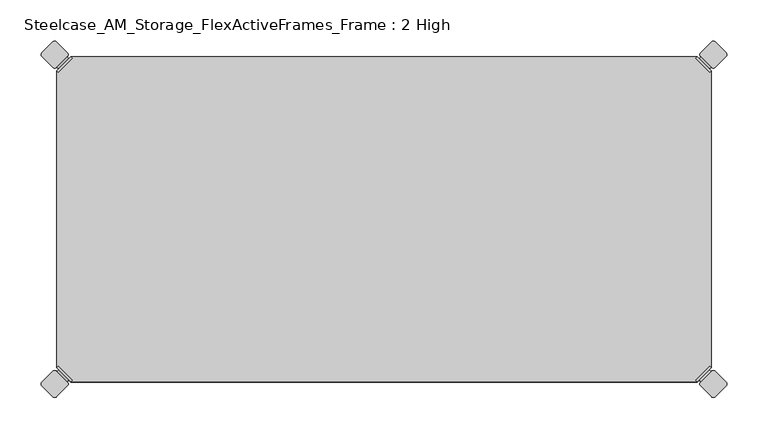
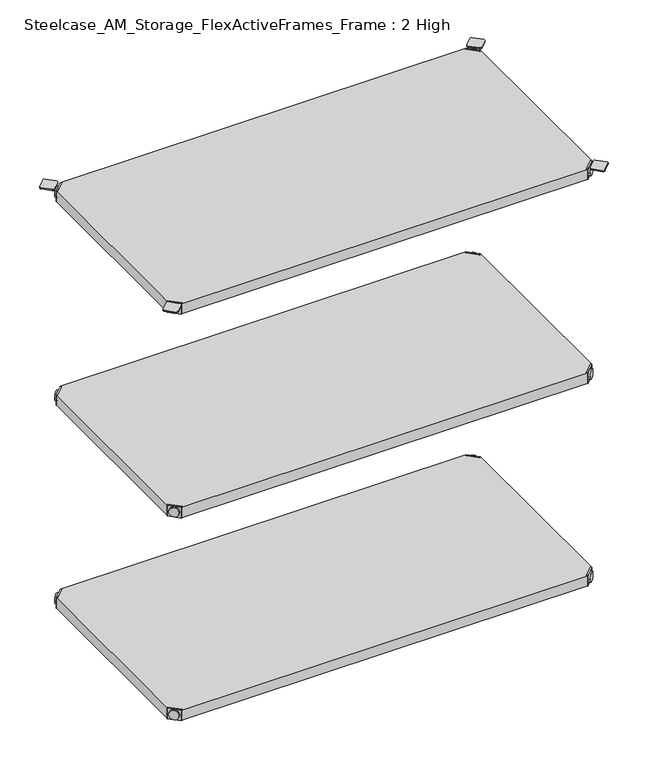
"""IFC4 building model written with IfcOpenShell, lengths in millimetres: furniture geometry, Steelcase_AM_Storage_FlexActiveFrames_Frame : 2 High."""

from ifc_helpers import new_model, si_unit, point, frame, frame_2d, origin, place, context, project, spatial, polyline, circle_curve, trimmed, segment, composite_curve, outline, extrude, source, transform, mapped, element, save
from ifc_brep_helpers import plane_surface, cylinder_surface, advanced_brep


def steelcase_am_storage_flexactiveframes_frame_2_high_a701bcb4(model_context):
    return source(origin(), model_context, "Body", "SolidModel", [
        advanced_brep(
        [(2.54, -380.2870969, 520.2936), (19.7629031, -397.51, 520.2936), (21.5589544, -395.7139488, 520.2936), (4.3360512, -378.4910456, 520.2936), (2.54, -380.2870969, 498.9576), (19.7629031, -397.51, 498.9576), (4.8652723, -382.6123691, 510.1336), (17.4376309, -395.1847277, 510.1336), (30.2920522, -352.5350447, 499.9736), (4.3360512, -378.4910456, 499.9736), (21.5589544, -395.7139488, 499.9736), (47.5149553, -369.7579478, 499.9736), (30.2920522, -352.5350447, 498.9576), (47.5149553, -369.7579478, 498.9576), (15.1227513, -397.4996073, 510.1336), (2.5503927, -384.9272487, 510.1336)],
        [
            (0, 1),
            (1, 2),
            (2, 3),
            (3, 0),
            (0, 4),
            (4, 5),
            (5, 1),
            (6, 7, circle_curve(frame((11.1514516, -388.8985484, 510.1336), z_axis=(0.7071067811865446, 0.7071067811865505, 0.0), x_axis=(-0.7071067811865505, 0.7071067811865446, 0.0)), 8.89)),
            (7, 6, circle_curve(frame((11.1514516, -388.8985484, 510.1336), z_axis=(0.7071067811865446, 0.7071067811865505, 0.0), x_axis=(-0.7071067811865505, 0.7071067811865446, 0.0)), 8.89)),
            (8, 9),
            (9, 10),
            (10, 11),
            (11, 8, circle_curve(frame((38.9035037, -361.1464963, 499.9736), z_axis=(0.0, 0.0, 1.0), x_axis=(1.0, 0.0, 0.0)), 12.1784316)),
            (12, 13, circle_curve(frame((38.9035037, -361.1464963, 498.9576), z_axis=(0.0, 0.0, -1.0), x_axis=(1.0, 0.0, 0.0)), 12.1784316)),
            (13, 5),
            (4, 12),
            (14, 15, circle_curve(frame((8.836572, -391.213428, 510.1336), z_axis=(-0.7071067811865446, -0.7071067811865505, 0.0), x_axis=(-0.7071067811865505, 0.7071067811865446, 0.0)), 8.89)),
            (15, 14, circle_curve(frame((8.836572, -391.213428, 510.1336), z_axis=(-0.7071067811865446, -0.7071067811865505, 0.0), x_axis=(-0.7071067811865505, 0.7071067811865446, 0.0)), 8.89)),
            (15, 6),
            (7, 14),
            (2, 10),
            (9, 3),
            (11, 13),
            (12, 8),
        ],
        [
            plane_surface(frame((-19.6579872, -402.485084, 520.2936), z_axis=(0.0, 0.0, 1.0000000000000002), x_axis=(0.7071067811865436, 0.7071067811865516, 0.0))),
            plane_surface(frame((19.7629031, -397.51, 520.2936), z_axis=(-0.7071067811865447, -0.7071067811865503, 0.0), x_axis=(0.0, 0.0, -1.0))),
            plane_surface(frame((51.0819353, -361.1464963, 499.9736), z_axis=(0.0, 0.0, 1.0), x_axis=(0.0, -1.0, 0.0))),
            plane_surface(frame((51.0819353, -361.1464963, 498.9576), z_axis=(0.0, 0.0, -1.0), x_axis=(0.0, 1.0, 0.0))),
            plane_surface(frame((2.5503927, -384.9272487, 510.1336), z_axis=(-0.7071067811865446, -0.7071067811865505, 0.0), x_axis=(0.0, 0.0, 1.0))),
            cylinder_surface(frame((11.1514516, -388.8985484, 510.1336), z_axis=(-0.7071067811865446, -0.7071067811865505, 0.0), x_axis=(-0.7071067811865505, 0.7071067811865446, 0.0)), 8.89),
            plane_surface(frame((4.3360512, -378.4910456, 520.2936), z_axis=(0.7071067811865447, 0.7071067811865503, 0.0), x_axis=(0.0, 0.0, -1.0))),
            cylinder_surface(frame((38.9035037, -361.1464963, 498.9576), z_axis=(0.0, 0.0, 1.0), x_axis=(1.0, 0.0, 0.0)), 12.1784316),
            plane_surface(frame((2.54, -380.2870969, 520.2936), z_axis=(-0.7071067811865516, 0.7071067811865436, 0.0), x_axis=(0.0, 0.0, -1.0))),
            plane_surface(frame((21.5589544, -395.7139488, 520.2936), z_axis=(0.7071067811865513, -0.7071067811865437, 0.0), x_axis=(0.0, 0.0, -1.0))),
        ],
        [
            (0, [[1, 2, 3, 4]]),
            (1, [[5, 6, 7, -1], [8, 9]]),
            (2, [[10, 11, 12, 13]]),
            (3, [[14, 15, -6, 16]]),
            (4, [[17, 18]]),
            (5, [[19, -9, 20, -18]]),
            (5, [[-20, -8, -19, -17]]),
            (6, [[21, -11, 22, -3]]),
            (7, [[23, -14, 24, -13]]),
            (8, [[-22, -10, -24, -16, -5, -4]]),
            (9, [[-7, -15, -23, -12, -21, -2]]),
        ],
    ),
        advanced_brep(
        [(797.56, -380.2870969, 520.2936), (795.7639488, -378.4910456, 520.2936), (778.5410456, -395.7139488, 520.2936), (780.3370969, -397.51, 520.2936), (780.3370969, -397.51, 498.9576), (797.56, -380.2870969, 498.9576), (795.2347277, -382.6123691, 510.1336), (782.6623691, -395.1847277, 510.1336), (769.8079478, -352.5350447, 499.9736), (752.5850447, -369.7579478, 499.9736), (778.5410456, -395.7139488, 499.9736), (795.7639488, -378.4910456, 499.9736), (769.8079478, -352.5350447, 498.9576), (752.5850447, -369.7579478, 498.9576), (784.9772487, -397.4996073, 510.1336), (797.5496073, -384.9272487, 510.1336)],
        [
            (0, 1),
            (1, 2),
            (2, 3),
            (3, 0),
            (3, 4),
            (4, 5),
            (5, 0),
            (6, 7, circle_curve(frame((788.9485484, -388.8985484, 510.1336), z_axis=(-0.7071067811865446, 0.7071067811865505, 0.0), x_axis=(0.7071067811865505, 0.7071067811865446, 0.0)), 8.89)),
            (7, 6, circle_curve(frame((788.9485484, -388.8985484, 510.1336), z_axis=(-0.7071067811865446, 0.7071067811865505, 0.0), x_axis=(0.7071067811865505, 0.7071067811865446, 0.0)), 8.89)),
            (8, 9, circle_curve(frame((761.1964963, -361.1464963, 499.9736), z_axis=(0.0, 0.0, 1.0), x_axis=(-1.0, 0.0, 0.0)), 12.1784316)),
            (9, 10),
            (10, 11),
            (11, 8),
            (12, 5),
            (4, 13),
            (13, 12, circle_curve(frame((761.1964963, -361.1464963, 498.9576), z_axis=(0.0, 0.0, -1.0), x_axis=(-1.0, 0.0, 0.0)), 12.1784316)),
            (14, 15, circle_curve(frame((791.263428, -391.213428, 510.1336), z_axis=(0.7071067811865446, -0.7071067811865505, 0.0), x_axis=(0.7071067811865505, 0.7071067811865446, 0.0)), 8.89)),
            (15, 14, circle_curve(frame((791.263428, -391.213428, 510.1336), z_axis=(0.7071067811865446, -0.7071067811865505, 0.0), x_axis=(0.7071067811865505, 0.7071067811865446, 0.0)), 8.89)),
            (14, 7),
            (6, 15),
            (1, 11),
            (10, 2),
            (8, 12),
            (13, 9),
        ],
        [
            plane_surface(frame((819.7579872, -402.485084, 520.2936), z_axis=(0.0, 0.0, 1.0000000000000002), x_axis=(-0.7071067811865436, 0.7071067811865516, 0.0))),
            plane_surface(frame((780.3370969, -397.51, 520.2936), z_axis=(0.7071067811865447, -0.7071067811865503, 0.0), x_axis=(0.0, 0.0, -1.0))),
            plane_surface(frame((749.0180647, -361.1464963, 499.9736), z_axis=(0.0, 0.0, 1.0), x_axis=(0.0, -1.0, 0.0))),
            plane_surface(frame((749.0180647, -361.1464963, 498.9576), z_axis=(0.0, 0.0, -1.0), x_axis=(0.0, 1.0, 0.0))),
            plane_surface(frame((797.5496073, -384.9272487, 510.1336), z_axis=(0.7071067811865446, -0.7071067811865505, 0.0), x_axis=(0.0, 0.0, 1.0))),
            cylinder_surface(frame((788.9485484, -388.8985484, 510.1336), z_axis=(0.7071067811865446, -0.7071067811865505, 0.0), x_axis=(0.7071067811865505, 0.7071067811865446, 0.0)), 8.89),
            plane_surface(frame((795.7639488, -378.4910456, 520.2936), z_axis=(-0.7071067811865447, 0.7071067811865503, 0.0), x_axis=(0.0, 0.0, -1.0))),
            cylinder_surface(frame((761.1964963, -361.1464963, 498.9576), z_axis=(0.0, 0.0, 1.0), x_axis=(-1.0, 0.0, 0.0)), 12.1784316),
            plane_surface(frame((797.56, -380.2870969, 520.2936), z_axis=(0.7071067811865516, 0.7071067811865436, 0.0), x_axis=(0.0, 0.0, -1.0))),
            plane_surface(frame((778.5410456, -395.7139488, 520.2936), z_axis=(-0.7071067811865513, -0.7071067811865437, 0.0), x_axis=(0.0, 0.0, -1.0))),
        ],
        [
            (0, [[1, 2, 3, 4]]),
            (1, [[-4, 5, 6, 7], [8, 9]]),
            (2, [[10, 11, 12, 13]]),
            (3, [[14, -6, 15, 16]]),
            (4, [[17, 18]]),
            (5, [[-17, 19, -8, 20]]),
            (5, [[-18, -20, -9, -19]]),
            (6, [[-2, 21, -12, 22]]),
            (7, [[-10, 23, -16, 24]]),
            (8, [[-1, -7, -14, -23, -13, -21]]),
            (9, [[-3, -22, -11, -24, -15, -5]]),
        ],
    ),
        advanced_brep(
        [(797.56, -19.7629031, 520.2936), (780.3370969, -2.54, 520.2936), (778.5410456, -4.3360512, 520.2936), (795.7639488, -21.5589544, 520.2936), (797.56, -19.7629031, 498.9576), (780.3370969, -2.54, 498.9576), (795.2347277, -17.4376309, 510.1336), (782.6623691, -4.8652723, 510.1336), (769.8079478, -47.5149553, 499.9736), (795.7639488, -21.5589544, 499.9736), (778.5410456, -4.3360512, 499.9736), (752.5850447, -30.2920522, 499.9736), (769.8079478, -47.5149553, 498.9576), (752.5850447, -30.2920522, 498.9576), (784.9772487, -2.5503927, 510.1336), (797.5496073, -15.1227513, 510.1336)],
        [
            (0, 1),
            (1, 2),
            (2, 3),
            (3, 0),
            (0, 4),
            (4, 5),
            (5, 1),
            (6, 7, circle_curve(frame((788.9485484, -11.1514516, 510.1336), z_axis=(-0.7071067811865469, -0.7071067811865481, 0.0), x_axis=(0.7071067811865481, -0.7071067811865469, 0.0)), 8.89)),
            (7, 6, circle_curve(frame((788.9485484, -11.1514516, 510.1336), z_axis=(-0.7071067811865469, -0.7071067811865481, 0.0), x_axis=(0.7071067811865481, -0.7071067811865469, 0.0)), 8.89)),
            (8, 9),
            (9, 10),
            (10, 11),
            (11, 8, circle_curve(frame((761.1964963, -38.9035037, 499.9736), z_axis=(0.0, 0.0, 1.0), x_axis=(-1.0, 0.0, 0.0)), 12.1784316)),
            (12, 13, circle_curve(frame((761.1964963, -38.9035037, 498.9576), z_axis=(0.0, 0.0, -1.0), x_axis=(-1.0, 0.0, 0.0)), 12.1784316)),
            (13, 5),
            (4, 12),
            (14, 15, circle_curve(frame((791.263428, -8.836572, 510.1336), z_axis=(0.7071067811865469, 0.7071067811865481, 0.0), x_axis=(0.7071067811865481, -0.7071067811865469, 0.0)), 8.89)),
            (15, 14, circle_curve(frame((791.263428, -8.836572, 510.1336), z_axis=(0.7071067811865469, 0.7071067811865481, 0.0), x_axis=(0.7071067811865481, -0.7071067811865469, 0.0)), 8.89)),
            (15, 6),
            (7, 14),
            (2, 10),
            (9, 3),
            (11, 13),
            (12, 8),
        ],
        [
            plane_surface(frame((819.7579872, 2.435084, 520.2936), z_axis=(0.0, 0.0, 1.0000000000000002), x_axis=(-0.7071067811865459, -0.7071067811865492, 0.0))),
            plane_surface(frame((780.3370969, -2.54, 520.2936), z_axis=(0.707106781186547, 0.707106781186548, 0.0), x_axis=(0.0, 0.0, -1.0))),
            plane_surface(frame((749.0180647, -38.9035037, 499.9736), z_axis=(0.0, 0.0, 1.0), x_axis=(0.0, 1.0, 0.0))),
            plane_surface(frame((749.0180647, -38.9035037, 498.9576), z_axis=(0.0, 0.0, -1.0), x_axis=(0.0, -1.0, 0.0))),
            plane_surface(frame((797.5496073, -15.1227513, 510.1336), z_axis=(0.7071067811865469, 0.7071067811865481, 0.0), x_axis=(0.0, 0.0, 1.0))),
            cylinder_surface(frame((788.9485484, -11.1514516, 510.1336), z_axis=(0.7071067811865469, 0.7071067811865481, 0.0), x_axis=(0.7071067811865481, -0.7071067811865469, 0.0)), 8.89),
            plane_surface(frame((795.7639488, -21.5589544, 520.2936), z_axis=(-0.707106781186547, -0.707106781186548, 0.0), x_axis=(0.0, 0.0, -1.0))),
            cylinder_surface(frame((761.1964963, -38.9035037, 498.9576), z_axis=(0.0, 0.0, 1.0), x_axis=(-1.0, 0.0, 0.0)), 12.1784316),
            plane_surface(frame((797.56, -19.7629031, 520.2936), z_axis=(0.7071067811865492, -0.7071067811865459, 0.0), x_axis=(0.0, 0.0, -1.0))),
            plane_surface(frame((778.5410456, -4.3360512, 520.2936), z_axis=(-0.707106781186549, 0.707106781186546, 0.0), x_axis=(0.0, 0.0, -1.0))),
        ],
        [
            (0, [[1, 2, 3, 4]]),
            (1, [[5, 6, 7, -1], [8, 9]]),
            (2, [[10, 11, 12, 13]]),
            (3, [[14, 15, -6, 16]]),
            (4, [[17, 18]]),
            (5, [[19, -9, 20, -18]]),
            (5, [[-20, -8, -19, -17]]),
            (6, [[21, -11, 22, -3]]),
            (7, [[23, -14, 24, -13]]),
            (8, [[-22, -10, -24, -16, -5, -4]]),
            (9, [[-7, -15, -23, -12, -21, -2]]),
        ],
    ),
        advanced_brep(
        [(2.54, -19.7629031, 520.2936), (4.3360512, -21.5589544, 520.2936), (21.5589544, -4.3360512, 520.2936), (19.7629031, -2.54, 520.2936), (19.7629031, -2.54, 498.9576), (2.54, -19.7629031, 498.9576), (4.8652723, -17.4376309, 510.1336), (17.4376309, -4.8652723, 510.1336), (30.2920522, -47.5149553, 499.9736), (47.5149553, -30.2920522, 499.9736), (21.5589544, -4.3360512, 499.9736), (4.3360512, -21.5589544, 499.9736), (30.2920522, -47.5149553, 498.9576), (47.5149553, -30.2920522, 498.9576), (15.1227513, -2.5503927, 510.1336), (2.5503927, -15.1227513, 510.1336)],
        [
            (0, 1),
            (1, 2),
            (2, 3),
            (3, 0),
            (3, 4),
            (4, 5),
            (5, 0),
            (6, 7, circle_curve(frame((11.1514516, -11.1514516, 510.1336), z_axis=(0.7071067811865469, -0.7071067811865481, 0.0), x_axis=(-0.7071067811865481, -0.7071067811865469, 0.0)), 8.89)),
            (7, 6, circle_curve(frame((11.1514516, -11.1514516, 510.1336), z_axis=(0.7071067811865469, -0.7071067811865481, 0.0), x_axis=(-0.7071067811865481, -0.7071067811865469, 0.0)), 8.89)),
            (8, 9, circle_curve(frame((38.9035037, -38.9035037, 499.9736), z_axis=(0.0, 0.0, 1.0), x_axis=(1.0, 0.0, 0.0)), 12.1784316)),
            (9, 10),
            (10, 11),
            (11, 8),
            (12, 5),
            (4, 13),
            (13, 12, circle_curve(frame((38.9035037, -38.9035037, 498.9576), z_axis=(0.0, 0.0, -1.0), x_axis=(1.0, 0.0, 0.0)), 12.1784316)),
            (14, 15, circle_curve(frame((8.836572, -8.836572, 510.1336), z_axis=(-0.7071067811865469, 0.7071067811865481, 0.0), x_axis=(-0.7071067811865481, -0.7071067811865469, 0.0)), 8.89)),
            (15, 14, circle_curve(frame((8.836572, -8.836572, 510.1336), z_axis=(-0.7071067811865469, 0.7071067811865481, 0.0), x_axis=(-0.7071067811865481, -0.7071067811865469, 0.0)), 8.89)),
            (14, 7),
            (6, 15),
            (1, 11),
            (10, 2),
            (8, 12),
            (13, 9),
        ],
        [
            plane_surface(frame((-19.6579872, 2.435084, 520.2936), z_axis=(0.0, 0.0, 1.0000000000000002), x_axis=(0.7071067811865459, -0.7071067811865492, 0.0))),
            plane_surface(frame((19.7629031, -2.54, 520.2936), z_axis=(-0.707106781186547, 0.707106781186548, 0.0), x_axis=(0.0, 0.0, -1.0))),
            plane_surface(frame((51.0819353, -38.9035037, 499.9736), z_axis=(0.0, 0.0, 1.0), x_axis=(0.0, 1.0, 0.0))),
            plane_surface(frame((51.0819353, -38.9035037, 498.9576), z_axis=(0.0, 0.0, -1.0), x_axis=(0.0, -1.0, 0.0))),
            plane_surface(frame((2.5503927, -15.1227513, 510.1336), z_axis=(-0.7071067811865469, 0.7071067811865481, 0.0), x_axis=(0.0, 0.0, 1.0))),
            cylinder_surface(frame((11.1514516, -11.1514516, 510.1336), z_axis=(-0.7071067811865469, 0.7071067811865481, 0.0), x_axis=(-0.7071067811865481, -0.7071067811865469, 0.0)), 8.89),
            plane_surface(frame((4.3360512, -21.5589544, 520.2936), z_axis=(0.707106781186547, -0.707106781186548, 0.0), x_axis=(0.0, 0.0, -1.0))),
            cylinder_surface(frame((38.9035037, -38.9035037, 498.9576), z_axis=(0.0, 0.0, 1.0), x_axis=(1.0, 0.0, 0.0)), 12.1784316),
            plane_surface(frame((2.54, -19.7629031, 520.2936), z_axis=(-0.7071067811865492, -0.7071067811865459, 0.0), x_axis=(0.0, 0.0, -1.0))),
            plane_surface(frame((21.5589544, -4.3360512, 520.2936), z_axis=(0.707106781186549, 0.707106781186546, 0.0), x_axis=(0.0, 0.0, -1.0))),
        ],
        [
            (0, [[1, 2, 3, 4]]),
            (1, [[-4, 5, 6, 7], [8, 9]]),
            (2, [[10, 11, 12, 13]]),
            (3, [[14, -6, 15, 16]]),
            (4, [[17, 18]]),
            (5, [[-17, 19, -8, 20]]),
            (5, [[-18, -20, -9, -19]]),
            (6, [[-2, 21, -12, 22]]),
            (7, [[-10, 23, -16, 24]]),
            (8, [[-1, -7, -14, -23, -13, -21]]),
            (9, [[-3, -22, -11, -24, -15, -5]]),
        ],
    ),
        extrude(outline(polyline([(19.7629031, -2.54), (780.3370969, -2.54), (778.5410456, -4.3360512), (795.7639488, -21.5589544), (797.56, -19.7629031), (797.56, -380.2870969), (795.7639488, -378.4910456), (778.5410456, -395.7139488), (780.3370969, -397.51), (19.7629031, -397.51), (21.5589544, -395.7139488), (4.3360512, -378.4910456), (2.54, -380.2870969), (2.54, -19.7629031), (4.3360512, -21.5589544), (21.5589544, -4.3360512), (19.7629031, -2.54)])), frame((0.0, 0.0, 499.9736), z_axis=(0.0, 0.0, 1.0), x_axis=(1.0, 0.0, 0.0)), (0.0, 0.0, 1.0), 20.32),
        advanced_brep(
        [(2.54, -380.2870969, 923.29), (19.7629031, -397.51, 923.29), (21.5589544, -395.7139488, 923.29), (4.3360512, -378.4910456, 923.29), (2.54, -380.2870969, 901.954), (19.7629031, -397.51, 901.954), (4.8652723, -382.6123691, 913.13), (17.4376309, -395.1847277, 913.13), (30.2920522, -352.5350447, 902.97), (4.3360512, -378.4910456, 902.97), (21.5589544, -395.7139488, 902.97), (47.5149553, -369.7579478, 902.97), (30.2920522, -352.5350447, 901.954), (47.5149553, -369.7579478, 901.954), (15.1227513, -397.4996073, 913.13), (2.5503927, -384.9272487, 913.13)],
        [
            (0, 1),
            (1, 2),
            (2, 3),
            (3, 0),
            (0, 4),
            (4, 5),
            (5, 1),
            (6, 7, circle_curve(frame((11.1514516, -388.8985484, 913.13), z_axis=(0.7071067811865446, 0.7071067811865505, 0.0), x_axis=(-0.7071067811865505, 0.7071067811865446, 0.0)), 8.89)),
            (7, 6, circle_curve(frame((11.1514516, -388.8985484, 913.13), z_axis=(0.7071067811865446, 0.7071067811865505, 0.0), x_axis=(-0.7071067811865505, 0.7071067811865446, 0.0)), 8.89)),
            (8, 9),
            (9, 10),
            (10, 11),
            (11, 8, circle_curve(frame((38.9035037, -361.1464963, 902.97), z_axis=(0.0, 0.0, 1.0), x_axis=(1.0, 0.0, 0.0)), 12.1784316)),
            (12, 13, circle_curve(frame((38.9035037, -361.1464963, 901.954), z_axis=(0.0, 0.0, -1.0), x_axis=(1.0, 0.0, 0.0)), 12.1784316)),
            (13, 5),
            (4, 12),
            (14, 15, circle_curve(frame((8.836572, -391.213428, 913.13), z_axis=(-0.7071067811865446, -0.7071067811865505, 0.0), x_axis=(-0.7071067811865505, 0.7071067811865446, 0.0)), 8.89)),
            (15, 14, circle_curve(frame((8.836572, -391.213428, 913.13), z_axis=(-0.7071067811865446, -0.7071067811865505, 0.0), x_axis=(-0.7071067811865505, 0.7071067811865446, 0.0)), 8.89)),
            (15, 6),
            (7, 14),
            (2, 10),
            (9, 3),
            (11, 13),
            (12, 8),
        ],
        [
            plane_surface(frame((-19.6579872, -402.485084, 923.29), z_axis=(0.0, 0.0, 1.0000000000000002), x_axis=(0.7071067811865436, 0.7071067811865516, 0.0))),
            plane_surface(frame((19.7629031, -397.51, 923.29), z_axis=(-0.7071067811865447, -0.7071067811865503, 0.0), x_axis=(0.0, 0.0, -1.0))),
            plane_surface(frame((51.0819353, -361.1464963, 902.97), z_axis=(0.0, 0.0, 1.0), x_axis=(0.0, -1.0, 0.0))),
            plane_surface(frame((51.0819353, -361.1464963, 901.954), z_axis=(0.0, 0.0, -1.0), x_axis=(0.0, 1.0, 0.0))),
            plane_surface(frame((2.5503927, -384.9272487, 913.13), z_axis=(-0.7071067811865446, -0.7071067811865505, 0.0), x_axis=(0.0, 0.0, 1.0))),
            cylinder_surface(frame((11.1514516, -388.8985484, 913.13), z_axis=(-0.7071067811865446, -0.7071067811865505, 0.0), x_axis=(-0.7071067811865505, 0.7071067811865446, 0.0)), 8.89),
            plane_surface(frame((4.3360512, -378.4910456, 923.29), z_axis=(0.7071067811865447, 0.7071067811865503, 0.0), x_axis=(0.0, 0.0, -1.0))),
            cylinder_surface(frame((38.9035037, -361.1464963, 901.954), z_axis=(0.0, 0.0, 1.0), x_axis=(1.0, 0.0, 0.0)), 12.1784316),
            plane_surface(frame((2.54, -380.2870969, 923.29), z_axis=(-0.7071067811865516, 0.7071067811865436, 0.0), x_axis=(0.0, 0.0, -1.0))),
            plane_surface(frame((21.5589544, -395.7139488, 923.29), z_axis=(0.7071067811865513, -0.7071067811865437, 0.0), x_axis=(0.0, 0.0, -1.0))),
        ],
        [
            (0, [[1, 2, 3, 4]]),
            (1, [[5, 6, 7, -1], [8, 9]]),
            (2, [[10, 11, 12, 13]]),
            (3, [[14, 15, -6, 16]]),
            (4, [[17, 18]]),
            (5, [[19, -9, 20, -18]]),
            (5, [[-20, -8, -19, -17]]),
            (6, [[21, -11, 22, -3]]),
            (7, [[23, -14, 24, -13]]),
            (8, [[-22, -10, -24, -16, -5, -4]]),
            (9, [[-7, -15, -23, -12, -21, -2]]),
        ],
    ),
        advanced_brep(
        [(797.56, -380.2870969, 923.29), (795.7639488, -378.4910456, 923.29), (778.5410456, -395.7139488, 923.29), (780.3370969, -397.51, 923.29), (780.3370969, -397.51, 901.954), (797.56, -380.2870969, 901.954), (795.2347277, -382.6123691, 913.13), (782.6623691, -395.1847277, 913.13), (769.8079478, -352.5350447, 902.97), (752.5850447, -369.7579478, 902.97), (778.5410456, -395.7139488, 902.97), (795.7639488, -378.4910456, 902.97), (769.8079478, -352.5350447, 901.954), (752.5850447, -369.7579478, 901.954), (784.9772487, -397.4996073, 913.13), (797.5496073, -384.9272487, 913.13)],
        [
            (0, 1),
            (1, 2),
            (2, 3),
            (3, 0),
            (3, 4),
            (4, 5),
            (5, 0),
            (6, 7, circle_curve(frame((788.9485484, -388.8985484, 913.13), z_axis=(-0.7071067811865446, 0.7071067811865505, 0.0), x_axis=(0.7071067811865505, 0.7071067811865446, 0.0)), 8.89)),
            (7, 6, circle_curve(frame((788.9485484, -388.8985484, 913.13), z_axis=(-0.7071067811865446, 0.7071067811865505, 0.0), x_axis=(0.7071067811865505, 0.7071067811865446, 0.0)), 8.89)),
            (8, 9, circle_curve(frame((761.1964963, -361.1464963, 902.97), z_axis=(0.0, 0.0, 1.0), x_axis=(-1.0, 0.0, 0.0)), 12.1784316)),
            (9, 10),
            (10, 11),
            (11, 8),
            (12, 5),
            (4, 13),
            (13, 12, circle_curve(frame((761.1964963, -361.1464963, 901.954), z_axis=(0.0, 0.0, -1.0), x_axis=(-1.0, 0.0, 0.0)), 12.1784316)),
            (14, 15, circle_curve(frame((791.263428, -391.213428, 913.13), z_axis=(0.7071067811865446, -0.7071067811865505, 0.0), x_axis=(0.7071067811865505, 0.7071067811865446, 0.0)), 8.89)),
            (15, 14, circle_curve(frame((791.263428, -391.213428, 913.13), z_axis=(0.7071067811865446, -0.7071067811865505, 0.0), x_axis=(0.7071067811865505, 0.7071067811865446, 0.0)), 8.89)),
            (14, 7),
            (6, 15),
            (1, 11),
            (10, 2),
            (8, 12),
            (13, 9),
        ],
        [
            plane_surface(frame((819.7579872, -402.485084, 923.29), z_axis=(0.0, 0.0, 1.0000000000000002), x_axis=(-0.7071067811865436, 0.7071067811865516, 0.0))),
            plane_surface(frame((780.3370969, -397.51, 923.29), z_axis=(0.7071067811865447, -0.7071067811865503, 0.0), x_axis=(0.0, 0.0, -1.0))),
            plane_surface(frame((749.0180647, -361.1464963, 902.97), z_axis=(0.0, 0.0, 1.0), x_axis=(0.0, -1.0, 0.0))),
            plane_surface(frame((749.0180647, -361.1464963, 901.954), z_axis=(0.0, 0.0, -1.0), x_axis=(0.0, 1.0, 0.0))),
            plane_surface(frame((797.5496073, -384.9272487, 913.13), z_axis=(0.7071067811865446, -0.7071067811865505, 0.0), x_axis=(0.0, 0.0, 1.0))),
            cylinder_surface(frame((788.9485484, -388.8985484, 913.13), z_axis=(0.7071067811865446, -0.7071067811865505, 0.0), x_axis=(0.7071067811865505, 0.7071067811865446, 0.0)), 8.89),
            plane_surface(frame((795.7639488, -378.4910456, 923.29), z_axis=(-0.7071067811865447, 0.7071067811865503, 0.0), x_axis=(0.0, 0.0, -1.0))),
            cylinder_surface(frame((761.1964963, -361.1464963, 901.954), z_axis=(0.0, 0.0, 1.0), x_axis=(-1.0, 0.0, 0.0)), 12.1784316),
            plane_surface(frame((797.56, -380.2870969, 923.29), z_axis=(0.7071067811865516, 0.7071067811865436, 0.0), x_axis=(0.0, 0.0, -1.0))),
            plane_surface(frame((778.5410456, -395.7139488, 923.29), z_axis=(-0.7071067811865513, -0.7071067811865437, 0.0), x_axis=(0.0, 0.0, -1.0))),
        ],
        [
            (0, [[1, 2, 3, 4]]),
            (1, [[-4, 5, 6, 7], [8, 9]]),
            (2, [[10, 11, 12, 13]]),
            (3, [[14, -6, 15, 16]]),
            (4, [[17, 18]]),
            (5, [[-17, 19, -8, 20]]),
            (5, [[-18, -20, -9, -19]]),
            (6, [[-2, 21, -12, 22]]),
            (7, [[-10, 23, -16, 24]]),
            (8, [[-1, -7, -14, -23, -13, -21]]),
            (9, [[-3, -22, -11, -24, -15, -5]]),
        ],
    ),
        advanced_brep(
        [(797.56, -19.7629031, 923.29), (780.3370969, -2.54, 923.29), (778.5410456, -4.3360512, 923.29), (795.7639488, -21.5589544, 923.29), (797.56, -19.7629031, 901.954), (780.3370969, -2.54, 901.954), (795.2347277, -17.4376309, 913.13), (782.6623691, -4.8652723, 913.13), (769.8079478, -47.5149553, 902.97), (795.7639488, -21.5589544, 902.97), (778.5410456, -4.3360512, 902.97), (752.5850447, -30.2920522, 902.97), (769.8079478, -47.5149553, 901.954), (752.5850447, -30.2920522, 901.954), (784.9772487, -2.5503927, 913.13), (797.5496073, -15.1227513, 913.13)],
        [
            (0, 1),
            (1, 2),
            (2, 3),
            (3, 0),
            (0, 4),
            (4, 5),
            (5, 1),
            (6, 7, circle_curve(frame((788.9485484, -11.1514516, 913.13), z_axis=(-0.7071067811865469, -0.7071067811865481, 0.0), x_axis=(0.7071067811865481, -0.7071067811865469, 0.0)), 8.89)),
            (7, 6, circle_curve(frame((788.9485484, -11.1514516, 913.13), z_axis=(-0.7071067811865469, -0.7071067811865481, 0.0), x_axis=(0.7071067811865481, -0.7071067811865469, 0.0)), 8.89)),
            (8, 9),
            (9, 10),
            (10, 11),
            (11, 8, circle_curve(frame((761.1964963, -38.9035037, 902.97), z_axis=(0.0, 0.0, 1.0), x_axis=(-1.0, 0.0, 0.0)), 12.1784316)),
            (12, 13, circle_curve(frame((761.1964963, -38.9035037, 901.954), z_axis=(0.0, 0.0, -1.0), x_axis=(-1.0, 0.0, 0.0)), 12.1784316)),
            (13, 5),
            (4, 12),
            (14, 15, circle_curve(frame((791.263428, -8.836572, 913.13), z_axis=(0.7071067811865469, 0.7071067811865481, 0.0), x_axis=(0.7071067811865481, -0.7071067811865469, 0.0)), 8.89)),
            (15, 14, circle_curve(frame((791.263428, -8.836572, 913.13), z_axis=(0.7071067811865469, 0.7071067811865481, 0.0), x_axis=(0.7071067811865481, -0.7071067811865469, 0.0)), 8.89)),
            (15, 6),
            (7, 14),
            (2, 10),
            (9, 3),
            (11, 13),
            (12, 8),
        ],
        [
            plane_surface(frame((819.7579872, 2.435084, 923.29), z_axis=(0.0, 0.0, 1.0000000000000002), x_axis=(-0.7071067811865459, -0.7071067811865492, 0.0))),
            plane_surface(frame((780.3370969, -2.54, 923.29), z_axis=(0.707106781186547, 0.707106781186548, 0.0), x_axis=(0.0, 0.0, -1.0))),
            plane_surface(frame((749.0180647, -38.9035037, 902.97), z_axis=(0.0, 0.0, 1.0), x_axis=(0.0, 1.0, 0.0))),
            plane_surface(frame((749.0180647, -38.9035037, 901.954), z_axis=(0.0, 0.0, -1.0), x_axis=(0.0, -1.0, 0.0))),
            plane_surface(frame((797.5496073, -15.1227513, 913.13), z_axis=(0.7071067811865469, 0.7071067811865481, 0.0), x_axis=(0.0, 0.0, 1.0))),
            cylinder_surface(frame((788.9485484, -11.1514516, 913.13), z_axis=(0.7071067811865469, 0.7071067811865481, 0.0), x_axis=(0.7071067811865481, -0.7071067811865469, 0.0)), 8.89),
            plane_surface(frame((795.7639488, -21.5589544, 923.29), z_axis=(-0.707106781186547, -0.707106781186548, 0.0), x_axis=(0.0, 0.0, -1.0))),
            cylinder_surface(frame((761.1964963, -38.9035037, 901.954), z_axis=(0.0, 0.0, 1.0), x_axis=(-1.0, 0.0, 0.0)), 12.1784316),
            plane_surface(frame((797.56, -19.7629031, 923.29), z_axis=(0.7071067811865492, -0.7071067811865459, 0.0), x_axis=(0.0, 0.0, -1.0))),
            plane_surface(frame((778.5410456, -4.3360512, 923.29), z_axis=(-0.707106781186549, 0.707106781186546, 0.0), x_axis=(0.0, 0.0, -1.0))),
        ],
        [
            (0, [[1, 2, 3, 4]]),
            (1, [[5, 6, 7, -1], [8, 9]]),
            (2, [[10, 11, 12, 13]]),
            (3, [[14, 15, -6, 16]]),
            (4, [[17, 18]]),
            (5, [[19, -9, 20, -18]]),
            (5, [[-20, -8, -19, -17]]),
            (6, [[21, -11, 22, -3]]),
            (7, [[23, -14, 24, -13]]),
            (8, [[-22, -10, -24, -16, -5, -4]]),
            (9, [[-7, -15, -23, -12, -21, -2]]),
        ],
    ),
        advanced_brep(
        [(2.54, -19.7629031, 923.29), (4.3360512, -21.5589544, 923.29), (21.5589544, -4.3360512, 923.29), (19.7629031, -2.54, 923.29), (19.7629031, -2.54, 901.954), (2.54, -19.7629031, 901.954), (4.8652723, -17.4376309, 913.13), (17.4376309, -4.8652723, 913.13), (30.2920522, -47.5149553, 902.97), (47.5149553, -30.2920522, 902.97), (21.5589544, -4.3360512, 902.97), (4.3360512, -21.5589544, 902.97), (30.2920522, -47.5149553, 901.954), (47.5149553, -30.2920522, 901.954), (15.1227513, -2.5503927, 913.13), (2.5503927, -15.1227513, 913.13)],
        [
            (0, 1),
            (1, 2),
            (2, 3),
            (3, 0),
            (3, 4),
            (4, 5),
            (5, 0),
            (6, 7, circle_curve(frame((11.1514516, -11.1514516, 913.13), z_axis=(0.7071067811865469, -0.7071067811865481, 0.0), x_axis=(-0.7071067811865481, -0.7071067811865469, 0.0)), 8.89)),
            (7, 6, circle_curve(frame((11.1514516, -11.1514516, 913.13), z_axis=(0.7071067811865469, -0.7071067811865481, 0.0), x_axis=(-0.7071067811865481, -0.7071067811865469, 0.0)), 8.89)),
            (8, 9, circle_curve(frame((38.9035037, -38.9035037, 902.97), z_axis=(0.0, 0.0, 1.0), x_axis=(1.0, 0.0, 0.0)), 12.1784316)),
            (9, 10),
            (10, 11),
            (11, 8),
            (12, 5),
            (4, 13),
            (13, 12, circle_curve(frame((38.9035037, -38.9035037, 901.954), z_axis=(0.0, 0.0, -1.0), x_axis=(1.0, 0.0, 0.0)), 12.1784316)),
            (14, 15, circle_curve(frame((8.836572, -8.836572, 913.13), z_axis=(-0.7071067811865469, 0.7071067811865481, 0.0), x_axis=(-0.7071067811865481, -0.7071067811865469, 0.0)), 8.89)),
            (15, 14, circle_curve(frame((8.836572, -8.836572, 913.13), z_axis=(-0.7071067811865469, 0.7071067811865481, 0.0), x_axis=(-0.7071067811865481, -0.7071067811865469, 0.0)), 8.89)),
            (14, 7),
            (6, 15),
            (1, 11),
            (10, 2),
            (8, 12),
            (13, 9),
        ],
        [
            plane_surface(frame((-19.6579872, 2.435084, 923.29), z_axis=(0.0, 0.0, 1.0000000000000002), x_axis=(0.7071067811865459, -0.7071067811865492, 0.0))),
            plane_surface(frame((19.7629031, -2.54, 923.29), z_axis=(-0.707106781186547, 0.707106781186548, 0.0), x_axis=(0.0, 0.0, -1.0))),
            plane_surface(frame((51.0819353, -38.9035037, 902.97), z_axis=(0.0, 0.0, 1.0), x_axis=(0.0, 1.0, 0.0))),
            plane_surface(frame((51.0819353, -38.9035037, 901.954), z_axis=(0.0, 0.0, -1.0), x_axis=(0.0, -1.0, 0.0))),
            plane_surface(frame((2.5503927, -15.1227513, 913.13), z_axis=(-0.7071067811865469, 0.7071067811865481, 0.0), x_axis=(0.0, 0.0, 1.0))),
            cylinder_surface(frame((11.1514516, -11.1514516, 913.13), z_axis=(-0.7071067811865469, 0.7071067811865481, 0.0), x_axis=(-0.7071067811865481, -0.7071067811865469, 0.0)), 8.89),
            plane_surface(frame((4.3360512, -21.5589544, 923.29), z_axis=(0.707106781186547, -0.707106781186548, 0.0), x_axis=(0.0, 0.0, -1.0))),
            cylinder_surface(frame((38.9035037, -38.9035037, 901.954), z_axis=(0.0, 0.0, 1.0), x_axis=(1.0, 0.0, 0.0)), 12.1784316),
            plane_surface(frame((2.54, -19.7629031, 923.29), z_axis=(-0.7071067811865492, -0.7071067811865459, 0.0), x_axis=(0.0, 0.0, -1.0))),
            plane_surface(frame((21.5589544, -4.3360512, 923.29), z_axis=(0.707106781186549, 0.707106781186546, 0.0), x_axis=(0.0, 0.0, -1.0))),
        ],
        [
            (0, [[1, 2, 3, 4]]),
            (1, [[-4, 5, 6, 7], [8, 9]]),
            (2, [[10, 11, 12, 13]]),
            (3, [[14, -6, 15, 16]]),
            (4, [[17, 18]]),
            (5, [[-17, 19, -8, 20]]),
            (5, [[-18, -20, -9, -19]]),
            (6, [[-2, 21, -12, 22]]),
            (7, [[-10, 23, -16, 24]]),
            (8, [[-1, -7, -14, -23, -13, -21]]),
            (9, [[-3, -22, -11, -24, -15, -5]]),
        ],
    ),
        extrude(outline(polyline([(19.7629031, -2.54), (780.3370969, -2.54), (778.5410456, -4.3360512), (795.7639488, -21.5589544), (797.56, -19.7629031), (797.56, -380.2870969), (795.7639488, -378.4910456), (778.5410456, -395.7139488), (780.3370969, -397.51), (19.7629031, -397.51), (21.5589544, -395.7139488), (4.3360512, -378.4910456), (2.54, -380.2870969), (2.54, -19.7629031), (4.3360512, -21.5589544), (21.5589544, -4.3360512), (19.7629031, -2.54)])), frame((0.0, 0.0, 902.97), z_axis=(0.0, 0.0, 1.0), x_axis=(1.0, 0.0, 0.0)), (0.0, 0.0, 1.0), 20.32),
        advanced_brep(
        [(2.54, -380.2870969, 118.9736), (19.7629031, -397.51, 118.9736), (21.5589544, -395.7139488, 118.9736), (4.3360512, -378.4910456, 118.9736), (2.54, -380.2870969, 97.6376), (19.7629031, -397.51, 97.6376), (4.8652723, -382.6123691, 108.8136), (17.4376309, -395.1847277, 108.8136), (30.2920522, -352.5350447, 98.6536), (4.3360512, -378.4910456, 98.6536), (21.5589544, -395.7139488, 98.6536), (47.5149553, -369.7579478, 98.6536), (30.2920522, -352.5350447, 97.6376), (47.5149553, -369.7579478, 97.6376), (15.1227513, -397.4996073, 108.8136), (2.5503927, -384.9272487, 108.8136)],
        [
            (0, 1),
            (1, 2),
            (2, 3),
            (3, 0),
            (0, 4),
            (4, 5),
            (5, 1),
            (6, 7, circle_curve(frame((11.1514516, -388.8985484, 108.8136), z_axis=(0.7071067811865446, 0.7071067811865505, 0.0), x_axis=(-0.7071067811865505, 0.7071067811865446, 0.0)), 8.89)),
            (7, 6, circle_curve(frame((11.1514516, -388.8985484, 108.8136), z_axis=(0.7071067811865446, 0.7071067811865505, 0.0), x_axis=(-0.7071067811865505, 0.7071067811865446, 0.0)), 8.89)),
            (8, 9),
            (9, 10),
            (10, 11),
            (11, 8, circle_curve(frame((38.9035037, -361.1464963, 98.6536), z_axis=(0.0, 0.0, 1.0), x_axis=(1.0, 0.0, 0.0)), 12.1784316)),
            (12, 13, circle_curve(frame((38.9035037, -361.1464963, 97.6376), z_axis=(0.0, 0.0, -1.0), x_axis=(1.0, 0.0, 0.0)), 12.1784316)),
            (13, 5),
            (4, 12),
            (14, 15, circle_curve(frame((8.836572, -391.213428, 108.8136), z_axis=(-0.7071067811865446, -0.7071067811865505, 0.0), x_axis=(-0.7071067811865505, 0.7071067811865446, 0.0)), 8.89)),
            (15, 14, circle_curve(frame((8.836572, -391.213428, 108.8136), z_axis=(-0.7071067811865446, -0.7071067811865505, 0.0), x_axis=(-0.7071067811865505, 0.7071067811865446, 0.0)), 8.89)),
            (15, 6),
            (7, 14),
            (2, 10),
            (9, 3),
            (11, 13),
            (12, 8),
        ],
        [
            plane_surface(frame((-19.6579872, -402.485084, 118.9736), z_axis=(0.0, 0.0, 1.0000000000000002), x_axis=(0.7071067811865436, 0.7071067811865516, 0.0))),
            plane_surface(frame((19.7629031, -397.51, 118.9736), z_axis=(-0.7071067811865447, -0.7071067811865503, 0.0), x_axis=(0.0, 0.0, -1.0))),
            plane_surface(frame((51.0819353, -361.1464963, 98.6536), z_axis=(0.0, 0.0, 1.0), x_axis=(0.0, -1.0, 0.0))),
            plane_surface(frame((51.0819353, -361.1464963, 97.6376), z_axis=(0.0, 0.0, -1.0), x_axis=(0.0, 1.0, 0.0))),
            plane_surface(frame((2.5503927, -384.9272487, 108.8136), z_axis=(-0.7071067811865446, -0.7071067811865505, 0.0), x_axis=(0.0, 0.0, 1.0))),
            cylinder_surface(frame((11.1514516, -388.8985484, 108.8136), z_axis=(-0.7071067811865446, -0.7071067811865505, 0.0), x_axis=(-0.7071067811865505, 0.7071067811865446, 0.0)), 8.89),
            plane_surface(frame((4.3360512, -378.4910456, 118.9736), z_axis=(0.7071067811865447, 0.7071067811865503, 0.0), x_axis=(0.0, 0.0, -1.0))),
            cylinder_surface(frame((38.9035037, -361.1464963, 97.6376), z_axis=(0.0, 0.0, 1.0), x_axis=(1.0, 0.0, 0.0)), 12.1784316),
            plane_surface(frame((2.54, -380.2870969, 118.9736), z_axis=(-0.7071067811865516, 0.7071067811865436, 0.0), x_axis=(0.0, 0.0, -1.0))),
            plane_surface(frame((21.5589544, -395.7139488, 118.9736), z_axis=(0.7071067811865513, -0.7071067811865437, 0.0), x_axis=(0.0, 0.0, -1.0))),
        ],
        [
            (0, [[1, 2, 3, 4]]),
            (1, [[5, 6, 7, -1], [8, 9]]),
            (2, [[10, 11, 12, 13]]),
            (3, [[14, 15, -6, 16]]),
            (4, [[17, 18]]),
            (5, [[19, -9, 20, -18]]),
            (5, [[-20, -8, -19, -17]]),
            (6, [[21, -11, 22, -3]]),
            (7, [[23, -14, 24, -13]]),
            (8, [[-22, -10, -24, -16, -5, -4]]),
            (9, [[-7, -15, -23, -12, -21, -2]]),
        ],
    ),
        advanced_brep(
        [(797.56, -380.2870969, 118.9736), (795.7639488, -378.4910456, 118.9736), (778.5410456, -395.7139488, 118.9736), (780.3370969, -397.51, 118.9736), (780.3370969, -397.51, 97.6376), (797.56, -380.2870969, 97.6376), (795.2347277, -382.6123691, 108.8136), (782.6623691, -395.1847277, 108.8136), (769.8079478, -352.5350447, 98.6536), (752.5850447, -369.7579478, 98.6536), (778.5410456, -395.7139488, 98.6536), (795.7639488, -378.4910456, 98.6536), (769.8079478, -352.5350447, 97.6376), (752.5850447, -369.7579478, 97.6376), (784.9772487, -397.4996073, 108.8136), (797.5496073, -384.9272487, 108.8136)],
        [
            (0, 1),
            (1, 2),
            (2, 3),
            (3, 0),
            (3, 4),
            (4, 5),
            (5, 0),
            (6, 7, circle_curve(frame((788.9485484, -388.8985484, 108.8136), z_axis=(-0.7071067811865446, 0.7071067811865505, 0.0), x_axis=(0.7071067811865505, 0.7071067811865446, 0.0)), 8.89)),
            (7, 6, circle_curve(frame((788.9485484, -388.8985484, 108.8136), z_axis=(-0.7071067811865446, 0.7071067811865505, 0.0), x_axis=(0.7071067811865505, 0.7071067811865446, 0.0)), 8.89)),
            (8, 9, circle_curve(frame((761.1964963, -361.1464963, 98.6536), z_axis=(0.0, 0.0, 1.0), x_axis=(-1.0, 0.0, 0.0)), 12.1784316)),
            (9, 10),
            (10, 11),
            (11, 8),
            (12, 5),
            (4, 13),
            (13, 12, circle_curve(frame((761.1964963, -361.1464963, 97.6376), z_axis=(0.0, 0.0, -1.0), x_axis=(-1.0, 0.0, 0.0)), 12.1784316)),
            (14, 15, circle_curve(frame((791.263428, -391.213428, 108.8136), z_axis=(0.7071067811865446, -0.7071067811865505, 0.0), x_axis=(0.7071067811865505, 0.7071067811865446, 0.0)), 8.89)),
            (15, 14, circle_curve(frame((791.263428, -391.213428, 108.8136), z_axis=(0.7071067811865446, -0.7071067811865505, 0.0), x_axis=(0.7071067811865505, 0.7071067811865446, 0.0)), 8.89)),
            (14, 7),
            (6, 15),
            (1, 11),
            (10, 2),
            (8, 12),
            (13, 9),
        ],
        [
            plane_surface(frame((819.7579872, -402.485084, 118.9736), z_axis=(0.0, 0.0, 1.0000000000000002), x_axis=(-0.7071067811865436, 0.7071067811865516, 0.0))),
            plane_surface(frame((780.3370969, -397.51, 118.9736), z_axis=(0.7071067811865447, -0.7071067811865503, 0.0), x_axis=(0.0, 0.0, -1.0))),
            plane_surface(frame((749.0180647, -361.1464963, 98.6536), z_axis=(0.0, 0.0, 1.0), x_axis=(0.0, -1.0, 0.0))),
            plane_surface(frame((749.0180647, -361.1464963, 97.6376), z_axis=(0.0, 0.0, -1.0), x_axis=(0.0, 1.0, 0.0))),
            plane_surface(frame((797.5496073, -384.9272487, 108.8136), z_axis=(0.7071067811865446, -0.7071067811865505, 0.0), x_axis=(0.0, 0.0, 1.0))),
            cylinder_surface(frame((788.9485484, -388.8985484, 108.8136), z_axis=(0.7071067811865446, -0.7071067811865505, 0.0), x_axis=(0.7071067811865505, 0.7071067811865446, 0.0)), 8.89),
            plane_surface(frame((795.7639488, -378.4910456, 118.9736), z_axis=(-0.7071067811865447, 0.7071067811865503, 0.0), x_axis=(0.0, 0.0, -1.0))),
            cylinder_surface(frame((761.1964963, -361.1464963, 97.6376), z_axis=(0.0, 0.0, 1.0), x_axis=(-1.0, 0.0, 0.0)), 12.1784316),
            plane_surface(frame((797.56, -380.2870969, 118.9736), z_axis=(0.7071067811865516, 0.7071067811865436, 0.0), x_axis=(0.0, 0.0, -1.0))),
            plane_surface(frame((778.5410456, -395.7139488, 118.9736), z_axis=(-0.7071067811865513, -0.7071067811865437, 0.0), x_axis=(0.0, 0.0, -1.0))),
        ],
        [
            (0, [[1, 2, 3, 4]]),
            (1, [[-4, 5, 6, 7], [8, 9]]),
            (2, [[10, 11, 12, 13]]),
            (3, [[14, -6, 15, 16]]),
            (4, [[17, 18]]),
            (5, [[-17, 19, -8, 20]]),
            (5, [[-18, -20, -9, -19]]),
            (6, [[-2, 21, -12, 22]]),
            (7, [[-10, 23, -16, 24]]),
            (8, [[-1, -7, -14, -23, -13, -21]]),
            (9, [[-3, -22, -11, -24, -15, -5]]),
        ],
    ),
        advanced_brep(
        [(797.56, -19.7629031, 118.9736), (780.3370969, -2.54, 118.9736), (778.5410456, -4.3360512, 118.9736), (795.7639488, -21.5589544, 118.9736), (797.56, -19.7629031, 97.6376), (780.3370969, -2.54, 97.6376), (795.2347277, -17.4376309, 108.8136), (782.6623691, -4.8652723, 108.8136), (769.8079478, -47.5149553, 98.6536), (795.7639488, -21.5589544, 98.6536), (778.5410456, -4.3360512, 98.6536), (752.5850447, -30.2920522, 98.6536), (769.8079478, -47.5149553, 97.6376), (752.5850447, -30.2920522, 97.6376), (784.9772487, -2.5503927, 108.8136), (797.5496073, -15.1227513, 108.8136)],
        [
            (0, 1),
            (1, 2),
            (2, 3),
            (3, 0),
            (0, 4),
            (4, 5),
            (5, 1),
            (6, 7, circle_curve(frame((788.9485484, -11.1514516, 108.8136), z_axis=(-0.7071067811865469, -0.7071067811865481, 0.0), x_axis=(0.7071067811865481, -0.7071067811865469, 0.0)), 8.89)),
            (7, 6, circle_curve(frame((788.9485484, -11.1514516, 108.8136), z_axis=(-0.7071067811865469, -0.7071067811865481, 0.0), x_axis=(0.7071067811865481, -0.7071067811865469, 0.0)), 8.89)),
            (8, 9),
            (9, 10),
            (10, 11),
            (11, 8, circle_curve(frame((761.1964963, -38.9035037, 98.6536), z_axis=(0.0, 0.0, 1.0), x_axis=(-1.0, 0.0, 0.0)), 12.1784316)),
            (12, 13, circle_curve(frame((761.1964963, -38.9035037, 97.6376), z_axis=(0.0, 0.0, -1.0), x_axis=(-1.0, 0.0, 0.0)), 12.1784316)),
            (13, 5),
            (4, 12),
            (14, 15, circle_curve(frame((791.263428, -8.836572, 108.8136), z_axis=(0.7071067811865469, 0.7071067811865481, 0.0), x_axis=(0.7071067811865481, -0.7071067811865469, 0.0)), 8.89)),
            (15, 14, circle_curve(frame((791.263428, -8.836572, 108.8136), z_axis=(0.7071067811865469, 0.7071067811865481, 0.0), x_axis=(0.7071067811865481, -0.7071067811865469, 0.0)), 8.89)),
            (15, 6),
            (7, 14),
            (2, 10),
            (9, 3),
            (11, 13),
            (12, 8),
        ],
        [
            plane_surface(frame((819.7579872, 2.435084, 118.9736), z_axis=(0.0, 0.0, 1.0000000000000002), x_axis=(-0.7071067811865459, -0.7071067811865492, 0.0))),
            plane_surface(frame((780.3370969, -2.54, 118.9736), z_axis=(0.707106781186547, 0.707106781186548, 0.0), x_axis=(0.0, 0.0, -1.0))),
            plane_surface(frame((749.0180647, -38.9035037, 98.6536), z_axis=(0.0, 0.0, 1.0), x_axis=(0.0, 1.0, 0.0))),
            plane_surface(frame((749.0180647, -38.9035037, 97.6376), z_axis=(0.0, 0.0, -1.0), x_axis=(0.0, -1.0, 0.0))),
            plane_surface(frame((797.5496073, -15.1227513, 108.8136), z_axis=(0.7071067811865469, 0.7071067811865481, 0.0), x_axis=(0.0, 0.0, 1.0))),
            cylinder_surface(frame((788.9485484, -11.1514516, 108.8136), z_axis=(0.7071067811865469, 0.7071067811865481, 0.0), x_axis=(0.7071067811865481, -0.7071067811865469, 0.0)), 8.89),
            plane_surface(frame((795.7639488, -21.5589544, 118.9736), z_axis=(-0.707106781186547, -0.707106781186548, 0.0), x_axis=(0.0, 0.0, -1.0))),
            cylinder_surface(frame((761.1964963, -38.9035037, 97.6376), z_axis=(0.0, 0.0, 1.0), x_axis=(-1.0, 0.0, 0.0)), 12.1784316),
            plane_surface(frame((797.56, -19.7629031, 118.9736), z_axis=(0.7071067811865492, -0.7071067811865459, 0.0), x_axis=(0.0, 0.0, -1.0))),
            plane_surface(frame((778.5410456, -4.3360512, 118.9736), z_axis=(-0.707106781186549, 0.707106781186546, 0.0), x_axis=(0.0, 0.0, -1.0))),
        ],
        [
            (0, [[1, 2, 3, 4]]),
            (1, [[5, 6, 7, -1], [8, 9]]),
            (2, [[10, 11, 12, 13]]),
            (3, [[14, 15, -6, 16]]),
            (4, [[17, 18]]),
            (5, [[19, -9, 20, -18]]),
            (5, [[-20, -8, -19, -17]]),
            (6, [[21, -11, 22, -3]]),
            (7, [[23, -14, 24, -13]]),
            (8, [[-22, -10, -24, -16, -5, -4]]),
            (9, [[-7, -15, -23, -12, -21, -2]]),
        ],
    ),
        advanced_brep(
        [(2.54, -19.7629031, 118.9736), (4.3360512, -21.5589544, 118.9736), (21.5589544, -4.3360512, 118.9736), (19.7629031, -2.54, 118.9736), (19.7629031, -2.54, 97.6376), (2.54, -19.7629031, 97.6376), (4.8652723, -17.4376309, 108.8136), (17.4376309, -4.8652723, 108.8136), (30.2920522, -47.5149553, 98.6536), (47.5149553, -30.2920522, 98.6536), (21.5589544, -4.3360512, 98.6536), (4.3360512, -21.5589544, 98.6536), (30.2920522, -47.5149553, 97.6376), (47.5149553, -30.2920522, 97.6376), (15.1227513, -2.5503927, 108.8136), (2.5503927, -15.1227513, 108.8136)],
        [
            (0, 1),
            (1, 2),
            (2, 3),
            (3, 0),
            (3, 4),
            (4, 5),
            (5, 0),
            (6, 7, circle_curve(frame((11.1514516, -11.1514516, 108.8136), z_axis=(0.7071067811865469, -0.7071067811865481, 0.0), x_axis=(-0.7071067811865481, -0.7071067811865469, 0.0)), 8.89)),
            (7, 6, circle_curve(frame((11.1514516, -11.1514516, 108.8136), z_axis=(0.7071067811865469, -0.7071067811865481, 0.0), x_axis=(-0.7071067811865481, -0.7071067811865469, 0.0)), 8.89)),
            (8, 9, circle_curve(frame((38.9035037, -38.9035037, 98.6536), z_axis=(0.0, 0.0, 1.0), x_axis=(1.0, 0.0, 0.0)), 12.1784316)),
            (9, 10),
            (10, 11),
            (11, 8),
            (12, 5),
            (4, 13),
            (13, 12, circle_curve(frame((38.9035037, -38.9035037, 97.6376), z_axis=(0.0, 0.0, -1.0), x_axis=(1.0, 0.0, 0.0)), 12.1784316)),
            (14, 15, circle_curve(frame((8.836572, -8.836572, 108.8136), z_axis=(-0.7071067811865469, 0.7071067811865481, 0.0), x_axis=(-0.7071067811865481, -0.7071067811865469, 0.0)), 8.89)),
            (15, 14, circle_curve(frame((8.836572, -8.836572, 108.8136), z_axis=(-0.7071067811865469, 0.7071067811865481, 0.0), x_axis=(-0.7071067811865481, -0.7071067811865469, 0.0)), 8.89)),
            (14, 7),
            (6, 15),
            (1, 11),
            (10, 2),
            (8, 12),
            (13, 9),
        ],
        [
            plane_surface(frame((-19.6579872, 2.435084, 118.9736), z_axis=(0.0, 0.0, 1.0000000000000002), x_axis=(0.7071067811865459, -0.7071067811865492, 0.0))),
            plane_surface(frame((19.7629031, -2.54, 118.9736), z_axis=(-0.707106781186547, 0.707106781186548, 0.0), x_axis=(0.0, 0.0, -1.0))),
            plane_surface(frame((51.0819353, -38.9035037, 98.6536), z_axis=(0.0, 0.0, 1.0), x_axis=(0.0, 1.0, 0.0))),
            plane_surface(frame((51.0819353, -38.9035037, 97.6376), z_axis=(0.0, 0.0, -1.0), x_axis=(0.0, -1.0, 0.0))),
            plane_surface(frame((2.5503927, -15.1227513, 108.8136), z_axis=(-0.7071067811865469, 0.7071067811865481, 0.0), x_axis=(0.0, 0.0, 1.0))),
            cylinder_surface(frame((11.1514516, -11.1514516, 108.8136), z_axis=(-0.7071067811865469, 0.7071067811865481, 0.0), x_axis=(-0.7071067811865481, -0.7071067811865469, 0.0)), 8.89),
            plane_surface(frame((4.3360512, -21.5589544, 118.9736), z_axis=(0.707106781186547, -0.707106781186548, 0.0), x_axis=(0.0, 0.0, -1.0))),
            cylinder_surface(frame((38.9035037, -38.9035037, 97.6376), z_axis=(0.0, 0.0, 1.0), x_axis=(1.0, 0.0, 0.0)), 12.1784316),
            plane_surface(frame((2.54, -19.7629031, 118.9736), z_axis=(-0.7071067811865492, -0.7071067811865459, 0.0), x_axis=(0.0, 0.0, -1.0))),
            plane_surface(frame((21.5589544, -4.3360512, 118.9736), z_axis=(0.707106781186549, 0.707106781186546, 0.0), x_axis=(0.0, 0.0, -1.0))),
        ],
        [
            (0, [[1, 2, 3, 4]]),
            (1, [[-4, 5, 6, 7], [8, 9]]),
            (2, [[10, 11, 12, 13]]),
            (3, [[14, -6, 15, 16]]),
            (4, [[17, 18]]),
            (5, [[-17, 19, -8, 20]]),
            (5, [[-18, -20, -9, -19]]),
            (6, [[-2, 21, -12, 22]]),
            (7, [[-10, 23, -16, 24]]),
            (8, [[-1, -7, -14, -23, -13, -21]]),
            (9, [[-3, -22, -11, -24, -15, -5]]),
        ],
    ),
        extrude(outline(polyline([(19.7629031, -2.54), (780.3370969, -2.54), (778.5410456, -4.3360512), (795.7639488, -21.5589544), (797.56, -19.7629031), (797.56, -380.2870969), (795.7639488, -378.4910456), (778.5410456, -395.7139488), (780.3370969, -397.51), (19.7629031, -397.51), (21.5589544, -395.7139488), (4.3360512, -378.4910456), (2.54, -380.2870969), (2.54, -19.7629031), (4.3360512, -21.5589544), (21.5589544, -4.3360512), (19.7629031, -2.54)])), frame((0.0, 0.0, 98.6536), z_axis=(0.0, 0.0, 1.0), x_axis=(1.0, 0.0, 0.0)), (0.0, 0.0, 1.0), 20.32),
        extrude(outline(composite_curve([segment(polyline([(-2.245064, -15.4326055), (-15.4326055, -2.245064)]), True, "CONTINUOUS"), segment(trimmed(circle_curve(frame_2d((-13.1875415, 0.0)), 3.175), [point((-15.4326055, -2.245064))], [point((-15.4326055, 2.245064))], False, "CARTESIAN"), True, "CONTINUOUS"), segment(polyline([(-15.4326055, 2.245064), (-2.245064, 15.4326055)]), True, "CONTINUOUS"), segment(trimmed(circle_curve(frame_2d((0.0, 13.1875415)), 3.175), [point((-2.245064, 15.4326055))], [point((2.245064, 15.4326055))], False, "CARTESIAN"), True, "CONTINUOUS"), segment(polyline([(2.245064, 15.4326055), (15.4326055, 2.245064)]), True, "CONTINUOUS"), segment(trimmed(circle_curve(frame_2d((13.1875415, 0.0)), 3.175), [point((15.4326055, 2.245064))], [point((15.4326055, -2.245064))], False, "CARTESIAN"), True, "CONTINUOUS"), segment(polyline([(15.4326055, -2.245064), (2.245064, -15.4326055)]), True, "CONTINUOUS"), segment(trimmed(circle_curve(frame_2d((0.0, -13.1875415)), 3.175), [point((2.245064, -15.4326055))], [point((-2.245064, -15.4326055))], False, "CARTESIAN"), True, "CONTINUOUS")], self_intersect=False)), frame((0.0, 0.0, 923.29), z_axis=(0.0, 0.0, 1.0), x_axis=(1.0, 0.0, 0.0)), (0.0, 0.0, 1.0), 2.032),
        extrude(outline(composite_curve([segment(trimmed(circle_curve(frame_2d((800.1, -13.1875415)), 3.175), [point((802.345064, -15.4326055))], [point((797.854936, -15.4326055))], False, "CARTESIAN"), True, "CONTINUOUS"), segment(polyline([(797.854936, -15.4326055), (784.6673945, -2.245064)]), True, "CONTINUOUS"), segment(trimmed(circle_curve(frame_2d((786.9124585, 0.0)), 3.175), [point((784.6673945, -2.245064))], [point((784.6673945, 2.245064))], False, "CARTESIAN"), True, "CONTINUOUS"), segment(polyline([(784.6673945, 2.245064), (797.854936, 15.4326055)]), True, "CONTINUOUS"), segment(trimmed(circle_curve(frame_2d((800.1, 13.1875415)), 3.175), [point((797.854936, 15.4326055))], [point((802.345064, 15.4326055))], False, "CARTESIAN"), True, "CONTINUOUS"), segment(polyline([(802.345064, 15.4326055), (815.5326055, 2.245064)]), True, "CONTINUOUS"), segment(trimmed(circle_curve(frame_2d((813.2875415, 0.0)), 3.175), [point((815.5326055, 2.245064))], [point((815.5326055, -2.245064))], False, "CARTESIAN"), True, "CONTINUOUS"), segment(polyline([(815.5326055, -2.245064), (802.345064, -15.4326055)]), True, "CONTINUOUS")], self_intersect=False)), frame((0.0, 0.0, 923.29), z_axis=(0.0, 0.0, 1.0), x_axis=(1.0, 0.0, 0.0)), (0.0, 0.0, 1.0), 2.032),
        extrude(outline(composite_curve([segment(polyline([(802.345064, -384.6173945), (815.5326055, -397.804936)]), True, "CONTINUOUS"), segment(trimmed(circle_curve(frame_2d((813.2875415, -400.05)), 3.175), [point((815.5326055, -397.804936))], [point((815.5326055, -402.295064))], False, "CARTESIAN"), True, "CONTINUOUS"), segment(polyline([(815.5326055, -402.295064), (802.345064, -415.4826055)]), True, "CONTINUOUS"), segment(trimmed(circle_curve(frame_2d((800.1, -413.2375415)), 3.175), [point((802.345064, -415.4826055))], [point((797.854936, -415.4826055))], False, "CARTESIAN"), True, "CONTINUOUS"), segment(polyline([(797.854936, -415.4826055), (784.6673945, -402.295064)]), True, "CONTINUOUS"), segment(trimmed(circle_curve(frame_2d((786.9124585, -400.05)), 3.175), [point((784.6673945, -402.295064))], [point((784.6673945, -397.804936))], False, "CARTESIAN"), True, "CONTINUOUS"), segment(polyline([(784.6673945, -397.804936), (797.854936, -384.6173945)]), True, "CONTINUOUS"), segment(trimmed(circle_curve(frame_2d((800.1, -386.8624585)), 3.175), [point((797.854936, -384.6173945))], [point((802.345064, -384.6173945))], False, "CARTESIAN"), True, "CONTINUOUS")], self_intersect=False)), frame((0.0, 0.0, 923.29), z_axis=(0.0, 0.0, 1.0), x_axis=(1.0, 0.0, 0.0)), (0.0, 0.0, 1.0), 2.032),
        extrude(outline(composite_curve([segment(trimmed(circle_curve(frame_2d((0.0, -386.8624585)), 3.175), [point((-2.245064, -384.6173945))], [point((2.245064, -384.6173945))], False, "CARTESIAN"), True, "CONTINUOUS"), segment(polyline([(2.245064, -384.6173945), (15.4326055, -397.804936)]), True, "CONTINUOUS"), segment(trimmed(circle_curve(frame_2d((13.1875415, -400.05)), 3.175), [point((15.4326055, -397.804936))], [point((15.4326055, -402.295064))], False, "CARTESIAN"), True, "CONTINUOUS"), segment(polyline([(15.4326055, -402.295064), (2.245064, -415.4826055)]), True, "CONTINUOUS"), segment(trimmed(circle_curve(frame_2d((0.0, -413.2375415)), 3.175), [point((2.245064, -415.4826055))], [point((-2.245064, -415.4826055))], False, "CARTESIAN"), True, "CONTINUOUS"), segment(polyline([(-2.245064, -415.4826055), (-15.4326055, -402.295064)]), True, "CONTINUOUS"), segment(trimmed(circle_curve(frame_2d((-13.1875415, -400.05)), 3.175), [point((-15.4326055, -402.295064))], [point((-15.4326055, -397.804936))], False, "CARTESIAN"), True, "CONTINUOUS"), segment(polyline([(-15.4326055, -397.804936), (-2.245064, -384.6173945)]), True, "CONTINUOUS")], self_intersect=False)), frame((0.0, 0.0, 923.29), z_axis=(0.0, 0.0, 1.0), x_axis=(1.0, 0.0, 0.0)), (0.0, 0.0, 1.0), 2.032),
    ])


if __name__ == "__main__":
    model = new_model("IFC4")
    model_context = context("Model", 3, world=origin())
    ifc_project = project(units=[si_unit("LENGTHUNIT", "METRE", prefix="MILLI")], contexts=[model_context])
    site = spatial("IfcSite", under=ifc_project)
    building = spatial("IfcBuilding", under=site)
    placement = place(None, origin())
    steelcase_am_storage_flexactiveframes_frame_2_high_shape = steelcase_am_storage_flexactiveframes_frame_2_high_a701bcb4(model_context)
    element("IfcFurniture", 1, ObjectType="Steelcase_AM_Storage_FlexActiveFrames_Frame : 2 High", at=placement, inside=building, context=model_context, shape_type="MappedRepresentation", body=[
        mapped(steelcase_am_storage_flexactiveframes_frame_2_high_shape, transform((0.0, 0.0, 0.0), x_axis=(1.0, 0.0, 0.0), y_axis=(0.0, 1.0, 0.0), z_axis=(0.0, 0.0, 1.0))),
    ])
    save(model, "model.ifc")
